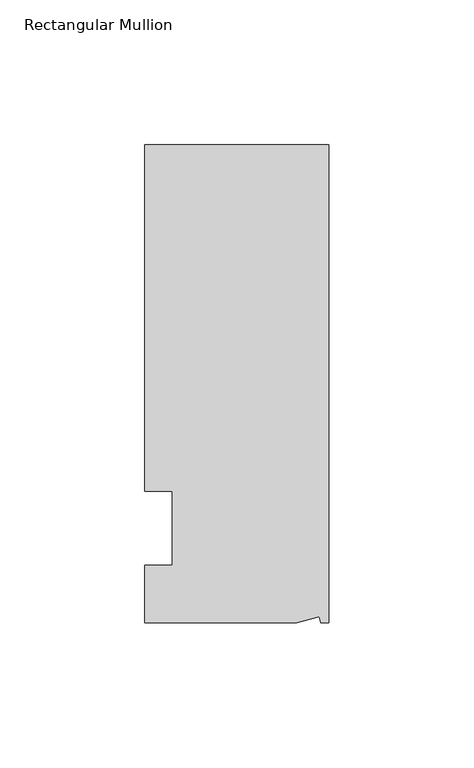
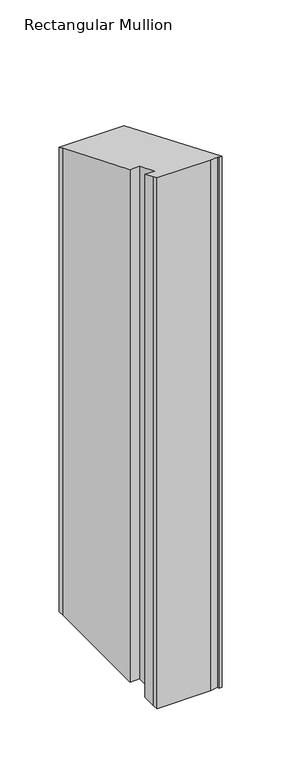
"""IFC4 building model written with IfcOpenShell, lengths in millimetres: member geometry, Rectangular Mullion."""

from ifc_helpers import new_model, si_unit, origin, place, context, project, spatial, faceted_brep, source, transform, mapped, element, save


def rectangular_mullion_eb66303c(model_context):
    return source(origin(), model_context, "Body", "Brep", [
        faceted_brep([(0.0, 132.5561012, -533.4), (0.0, -32.5438988, -533.4), (-2.7630634, -32.5438988, -533.4), (-3.3223696, -30.4565397, -533.4), (-11.1125, -32.5438988, -533.4), (-63.5076469, -32.5438988, -533.4), (-63.5076469, -26.1938988, -533.4), (-63.5, -12.7, -533.4), (-53.975, -12.7, -533.4), (-53.975, 12.8488281, -533.4), (-63.5, 12.8488281, -533.4), (-63.5, 126.2061012, -533.4), (-63.5, 132.5561012, -533.4), (-63.5, 132.5561012, -54.9065349), (0.0, 132.5561012, -54.9065349), (-63.5, 12.8488281, -5.3221589), (-63.5, 126.2061012, -52.2762788), (-53.975, 12.8488281, -5.3221589), (-53.975, -12.7, 5.2605122), (-63.5, -12.7, 5.2605122), (-63.5, -26.1938988, 10.8498681), (-11.1125, -32.5438988, 13.4801243), (-63.5076469, -32.5438988, 13.4801243), (-3.3223696, -30.4565397, 12.6155118), (-2.7630634, -32.5438988, 13.4801243), (0.0, -32.5438988, 13.4801243)], [[[0, 1, 2, 3, 4, 5, 6, 7, 8, 9, 10, 11, 12]], [[13, 14, 0, 12]], [[15, 16, 11, 10]], [[17, 15, 10, 9]], [[18, 17, 9, 8]], [[19, 18, 8, 7]], [[20, 19, 7, 6]], [[21, 22, 5, 4]], [[23, 21, 4, 3]], [[24, 23, 3, 2]], [[25, 24, 2, 1]], [[14, 25, 1, 0]], [[14, 13, 16, 15, 17, 18, 19, 20, 22, 21, 23, 24, 25]], [[16, 13, 12, 11]], [[22, 20, 6, 5]]]),
    ])


if __name__ == "__main__":
    model = new_model("IFC4")
    model_context = context("Model", 3, world=origin())
    ifc_project = project(units=[si_unit("LENGTHUNIT", "METRE", prefix="MILLI")], contexts=[model_context])
    site = spatial("IfcSite", under=ifc_project)
    building = spatial("IfcBuilding", under=site)
    placement = place(None, origin())
    rectangular_mullion_shape = rectangular_mullion_eb66303c(model_context)
    element("IfcMember", 1, ObjectType="Rectangular Mullion", at=placement, inside=building, context=model_context, shape_type="MappedRepresentation", body=[
        mapped(rectangular_mullion_shape, transform((0.0, 0.0, 0.0), x_axis=(1.0, 0.0, 0.0), y_axis=(0.0, 1.0, 0.0), z_axis=(0.0, 0.0, 1.0))),
    ])
    save(model, "model.ifc")
